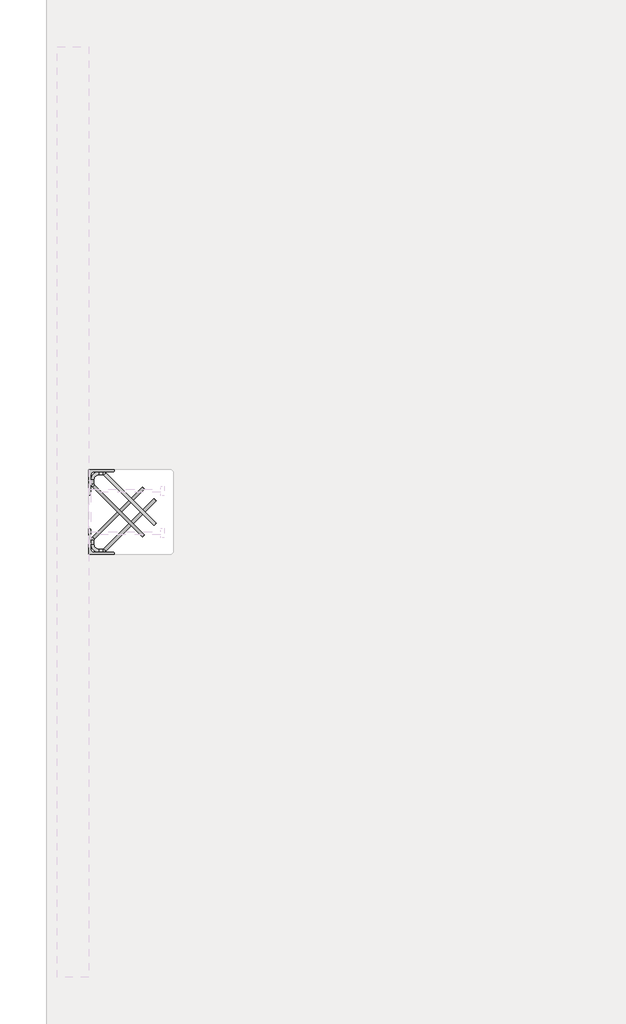
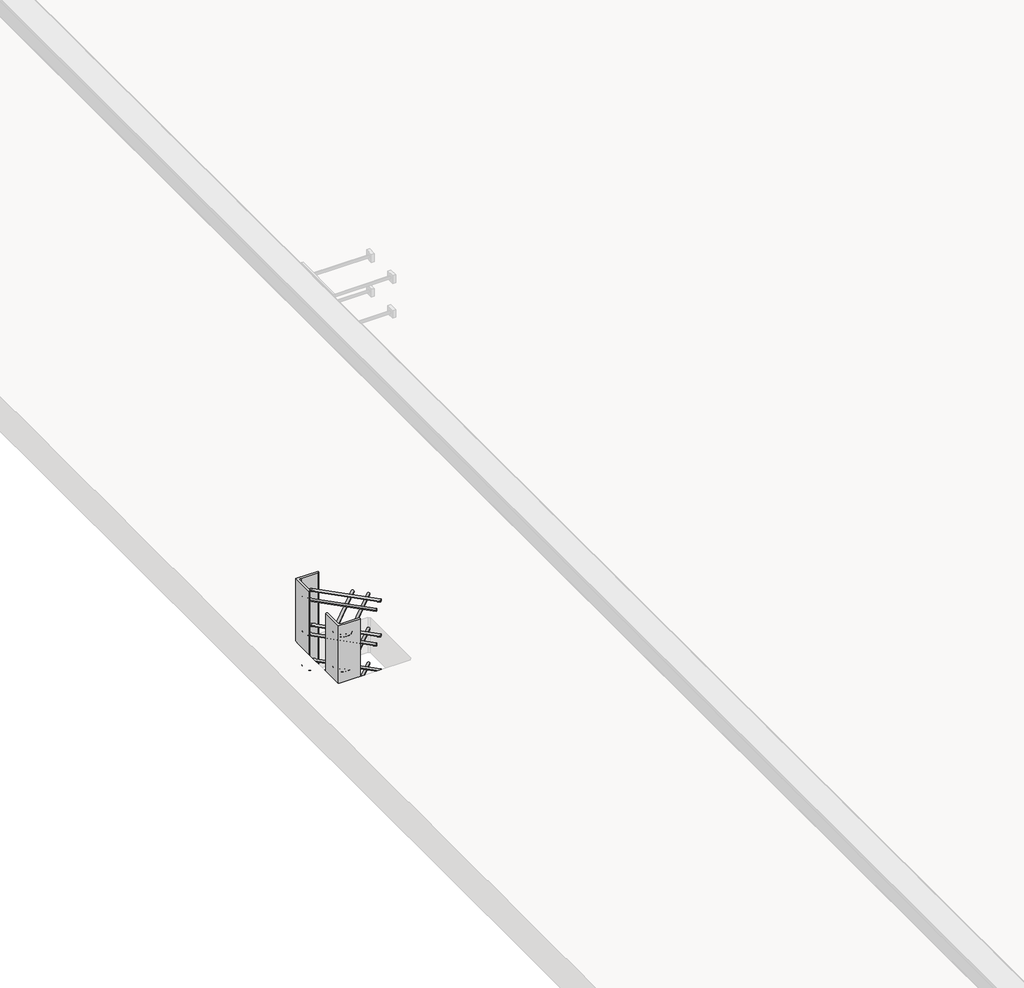
# One storey, part 14 of 65: 2 fasteners.
"""IFC4 building model written with IfcOpenShell, lengths in millimetres."""

from ifc_helpers import new_model, si_unit, point, frame, frame_2d, origin, place, context, project, spatial, polyline, circle_curve, ellipse_curve, trimmed, segment, composite_curve, outline, extrude, element, save
from ifc_brep_helpers import plane_surface, cylinder_surface, revolved_surface, advanced_brep

model = new_model("IFC4")

# Units and contexts
model_context = context("Model", 3, world=origin())
ifc_project = project(units=[si_unit("LENGTHUNIT", "METRE", prefix="MILLI")], contexts=[model_context])

# Site, building, storey
site = spatial("IfcSite", under=ifc_project)
building = spatial("IfcBuilding", under=site)
storey = spatial("IfcBuildingStorey", under=building, Elevation=0.0)

# Fasteners
placement = place(None, origin())
element("IfcFastener", 1, at=placement, inside=storey, context=model_context, shape_type="SolidModel", body=[
    advanced_brep(
    [(10117.4371209, 20747.4623741, -120.0), (10107.5376259, 20737.5628791, -120.0), (10052.5376259, 20682.5628791, -120.0), (10062.4371209, 20692.4623741, -120.0), (9824.0, 20953.0, -120.0), (9810.0, 20953.0, -120.0), (9810.0, 20934.2132034, -120.0), (9824.0, 20934.2132034, -120.0), (9847.0, 20976.0, -120.0), (9847.0, 20990.0, -120.0), (9865.7867966, 20976.0, -120.0), (9865.7867966, 20990.0, -120.0), (9881.3431458, 20983.5563492, -120.0), (9871.4436508, 20973.6568542, -120.0), (9826.3431458, 20928.5563492, -120.0), (9816.4436508, 20918.6568542, -120.0)],
    [
        (0, 1, circle_curve(frame((10112.4873734, 20742.5126266, -120.0), z_axis=(0.7071067811865446, -0.7071067811865505, 0.0), x_axis=(-0.7071067811865506, -0.7071067811865447, 0.0)), 7.0)),
        (1, 0, circle_curve(frame((10112.4873734, 20742.5126266, -120.0), z_axis=(0.7071067811865446, -0.7071067811865505, 0.0), x_axis=(-0.7071067811865506, -0.7071067811865447, 0.0)), 7.0)),
        (2, 3, circle_curve(frame((10057.4873734, 20687.5126266, -120.0), z_axis=(0.7071067811865447, -0.7071067811865503, 0.0), x_axis=(0.7071067811865503, 0.7071067811865447, 0.0)), 7.0)),
        (3, 2, circle_curve(frame((10057.4873734, 20687.5126266, -120.0), z_axis=(0.7071067811865447, -0.7071067811865503, 0.0), x_axis=(0.7071067811865503, 0.7071067811865447, 0.0)), 7.0)),
        (4, 5, circle_curve(frame((9817.0, 20953.0, -120.0), z_axis=(0.0, -1.0, 0.0), x_axis=(1.0, 0.0, 0.0)), 7.0)),
        (5, 6),
        (6, 7, circle_curve(frame((9817.0, 20934.2132034, -120.0), z_axis=(0.0, 1.0, 0.0), x_axis=(1.0, 0.0, 0.0)), 7.0)),
        (7, 4),
        (5, 4, circle_curve(frame((9817.0, 20953.0, -120.0), z_axis=(0.0, -1.0, 0.0), x_axis=(1.0, 0.0, 0.0)), 7.0)),
        (7, 6, circle_curve(frame((9817.0, 20934.2132034, -120.0), z_axis=(0.0, 1.0, 0.0), x_axis=(1.0, 0.0, 0.0)), 7.0)),
        (4, 8, circle_curve(frame((9847.0, 20953.0, -120.0), z_axis=(0.0, 0.0, -1.0), x_axis=(0.0, 1.0, 0.0)), 23.0)),
        (8, 9, circle_curve(frame((9847.0, 20983.0, -120.0), z_axis=(-1.0, 0.0, 0.0), x_axis=(0.0, -1.0, 0.0)), 7.0)),
        (9, 5, circle_curve(frame((9847.0, 20953.0, -120.0), z_axis=(0.0, 0.0, 1.0), x_axis=(0.0, 1.0, 0.0)), 37.0)),
        (9, 8, circle_curve(frame((9847.0, 20983.0, -120.0), z_axis=(-1.0, 0.0, 0.0), x_axis=(0.0, -1.0, 0.0)), 7.0)),
        (10, 11, circle_curve(frame((9865.7867966, 20983.0, -120.0), z_axis=(-1.0, 0.0, 0.0), x_axis=(0.0, -1.0, 0.0)), 7.0)),
        (11, 9),
        (8, 10),
        (11, 10, circle_curve(frame((9865.7867966, 20983.0, -120.0), z_axis=(-1.0, 0.0, 0.0), x_axis=(0.0, -1.0, 0.0)), 7.0)),
        (0, 12),
        (12, 13, circle_curve(frame((9876.3933983, 20978.6066017, -120.0), z_axis=(0.7071067811865446, -0.7071067811865505, 0.0), x_axis=(-0.7071067811865506, -0.7071067811865447, 0.0)), 7.0)),
        (13, 1),
        (13, 12, circle_curve(frame((9876.3933983, 20978.6066017, -120.0), z_axis=(0.7071067811865446, -0.7071067811865505, 0.0), x_axis=(-0.7071067811865506, -0.7071067811865447, 0.0)), 7.0)),
        (10, 13, circle_curve(frame((9865.7867966, 20968.0, -120.0), z_axis=(0.0, 0.0, -1.0), x_axis=(0.7071067811865506, 0.7071067811865445, 0.0)), 8.0)),
        (12, 11, circle_curve(frame((9865.7867966, 20968.0, -120.0), z_axis=(0.0, 0.0, 1.0), x_axis=(0.7071067811865506, 0.7071067811865445, 0.0)), 22.0)),
        (14, 7, circle_curve(frame((9832.0, 20934.2132034, -120.0), z_axis=(0.0, 0.0, -1.0), x_axis=(-1.0, 0.0, 0.0)), 8.0)),
        (6, 15, circle_curve(frame((9832.0, 20934.2132034, -120.0), z_axis=(0.0, 0.0, 1.0), x_axis=(-1.0, 0.0, 0.0)), 22.0)),
        (15, 14, circle_curve(frame((9821.3933983, 20923.6066017, -120.0), z_axis=(-0.7071067811865449, 0.7071067811865501, 0.0), x_axis=(0.7071067811865501, 0.7071067811865449, 0.0)), 7.0)),
        (14, 15, circle_curve(frame((9821.3933983, 20923.6066017, -120.0), z_axis=(-0.7071067811865452, 0.7071067811865498, 0.0), x_axis=(0.7071067811865498, 0.7071067811865452, 0.0)), 7.0)),
        (15, 2),
        (3, 14),
    ],
    [
        plane_surface(frame((10112.4873734, 20742.5126266, -120.0), z_axis=(0.7071067811865446, -0.7071067811865505, 0.0), x_axis=(0.0, 0.0, 1.0))),
        plane_surface(frame((10057.4873734, 20687.5126266, -120.0), z_axis=(0.7071067811865447, -0.7071067811865503, 0.0), x_axis=(0.0, 0.0, 1.0))),
        cylinder_surface(frame((9817.0, 20953.0, -120.0), z_axis=(0.0, 1.0, 0.0), x_axis=(1.0, 0.0, 0.0)), 7.0),
        revolved_surface(trimmed(ellipse_curve(frame((9847.0, 20983.0, -120.0), z_axis=(1.0, 0.0, 0.0), x_axis=(0.0, -1.0, 0.0)), 7.0, 7.0), [point((9847.0, 20990.0, -120.0))], [point((9847.0, 20976.0, -120.0))], True, "CARTESIAN"), (9847.0, 20953.0, -120.0), (0.0, 0.0, 1.0)),
        revolved_surface(trimmed(ellipse_curve(frame((9847.0, 20983.0, -120.0), z_axis=(1.0, 0.0, 0.0), x_axis=(0.0, -1.0, 0.0)), 7.0, 7.0), [point((9847.0, 20976.0, -120.0))], [point((9847.0, 20990.0, -120.0))], True, "CARTESIAN"), (9847.0, 20953.0, -120.0), (0.0, 0.0, 1.0)),
        cylinder_surface(frame((9865.7867966, 20983.0, -120.0), z_axis=(1.0, 0.0, 0.0), x_axis=(0.0, -1.0, 0.0)), 7.0),
        cylinder_surface(frame((10112.4873734, 20742.5126266, -120.0), z_axis=(0.7071067811865447, -0.7071067811865506, 0.0), x_axis=(-0.7071067811865506, -0.7071067811865447, 0.0)), 7.0),
        revolved_surface(trimmed(ellipse_curve(frame((9876.3933983, 20978.6066017, -120.0), z_axis=(0.7071067811865445, -0.7071067811865506, 0.0), x_axis=(-0.7071067811865506, -0.7071067811865445, 0.0)), 7.0, 7.0), [point((9881.3431458, 20983.5563492, -120.0))], [point((9871.4436508, 20973.6568542, -120.0))], True, "CARTESIAN"), (9865.7867966, 20968.0, -120.0), (0.0, 0.0, 1.0)),
        revolved_surface(trimmed(ellipse_curve(frame((9876.3933983, 20978.6066017, -120.0), z_axis=(0.7071067811865445, -0.7071067811865506, 0.0), x_axis=(-0.7071067811865506, -0.7071067811865445, 0.0)), 7.0, 7.0), [point((9871.4436508, 20973.6568542, -120.0))], [point((9881.3431458, 20983.5563492, -120.0))], True, "CARTESIAN"), (9865.7867966, 20968.0, -120.0), (0.0, 0.0, 1.0)),
        revolved_surface(trimmed(ellipse_curve(frame((9817.0, 20934.2132034, -120.0), z_axis=(0.0, 1.0, 0.0), x_axis=(1.0, 0.0, 0.0)), 7.0, 7.0), [point((9810.0, 20934.2132034, -120.0))], [point((9824.0, 20934.2132034, -120.0))], True, "CARTESIAN"), (9832.0, 20934.2132034, -120.0), (0.0, 0.0, 1.0)),
        revolved_surface(trimmed(ellipse_curve(frame((9817.0, 20934.2132034, -120.0), z_axis=(0.0, 1.0, 0.0), x_axis=(1.0, 0.0, 0.0)), 7.0, 7.0), [point((9824.0, 20934.2132034, -120.0))], [point((9810.0, 20934.2132034, -120.0))], True, "CARTESIAN"), (9832.0, 20934.2132034, -120.0), (0.0, 0.0, 1.0)),
        cylinder_surface(frame((9821.3933983, 20923.6066017, -120.0), z_axis=(-0.7071067811865447, 0.7071067811865503, 0.0), x_axis=(0.7071067811865503, 0.7071067811865447, 0.0)), 7.0),
    ],
    [
        (0, [[1, 2]]),
        (1, [[3, 4]]),
        (2, [[5, 6, 7, 8]]),
        (2, [[9, -8, 10, -6]]),
        (3, [[11, 12, 13, -5]]),
        (4, [[-13, 14, -11, -9]]),
        (5, [[15, 16, -12, 17]]),
        (5, [[18, -17, -14, -16]]),
        (6, [[-1, 19, 20, 21]]),
        (6, [[-2, -21, 22, -19]]),
        (7, [[23, -20, 24, -15]]),
        (8, [[-24, -22, -23, -18]]),
        (9, [[25, -7, 26, 27]]),
        (10, [[-26, -10, -25, 28]]),
        (11, [[-27, 29, -4, 30]]),
        (11, [[-28, -30, -3, -29]]),
    ],
),
    advanced_brep(
    [(10107.5376259, 20737.5628791, 280.0), (10117.4371209, 20747.4623741, 280.0), (10062.4371209, 20692.4623741, 280.0), (10052.5376259, 20682.5628791, 280.0), (9810.0, 20953.0, 280.0), (9824.0, 20953.0, 280.0), (9824.0, 20934.2132034, 280.0), (9810.0, 20934.2132034, 280.0), (9847.0, 20990.0, 280.0), (9847.0, 20976.0, 280.0), (9865.7867966, 20990.0, 280.0), (9865.7867966, 20976.0, 280.0), (9871.4436508, 20973.6568542, 280.0), (9881.3431458, 20983.5563492, 280.0), (9816.4436508, 20918.6568542, 280.0), (9826.3431458, 20928.5563492, 280.0)],
    [
        (0, 1, circle_curve(frame((10112.4873734, 20742.5126266, 280.0), z_axis=(0.7071067811865446, -0.7071067811865505, 0.0), x_axis=(0.7071067811865506, 0.7071067811865447, 0.0)), 7.0)),
        (1, 0, circle_curve(frame((10112.4873734, 20742.5126266, 280.0), z_axis=(0.7071067811865446, -0.7071067811865505, 0.0), x_axis=(0.7071067811865506, 0.7071067811865447, 0.0)), 7.0)),
        (2, 3, circle_curve(frame((10057.4873734, 20687.5126266, 280.0), z_axis=(0.7071067811865447, -0.7071067811865505, 0.0), x_axis=(-0.7071067811865505, -0.7071067811865447, 0.0)), 7.0)),
        (3, 2, circle_curve(frame((10057.4873734, 20687.5126266, 280.0), z_axis=(0.7071067811865447, -0.7071067811865505, 0.0), x_axis=(-0.7071067811865505, -0.7071067811865447, 0.0)), 7.0)),
        (4, 5, circle_curve(frame((9817.0, 20953.0, 280.0), z_axis=(0.0, -1.0, 0.0), x_axis=(-1.0, 0.0, 0.0)), 7.0)),
        (5, 6),
        (6, 7, circle_curve(frame((9817.0, 20934.2132034, 280.0), z_axis=(0.0, 1.0, 0.0), x_axis=(-1.0, 0.0, 0.0)), 7.0)),
        (7, 4),
        (5, 4, circle_curve(frame((9817.0, 20953.0, 280.0), z_axis=(0.0, -1.0, 0.0), x_axis=(-1.0, 0.0, 0.0)), 7.0)),
        (7, 6, circle_curve(frame((9817.0, 20934.2132034, 280.0), z_axis=(0.0, 1.0, 0.0), x_axis=(-1.0, 0.0, 0.0)), 7.0)),
        (4, 8, circle_curve(frame((9847.0, 20953.0, 280.0), z_axis=(0.0, 0.0, -1.0), x_axis=(0.0, 1.0, 0.0)), 37.0)),
        (8, 9, circle_curve(frame((9847.0, 20983.0, 280.0), z_axis=(-1.0, 0.0, 0.0), x_axis=(0.0, 1.0, 0.0)), 7.0)),
        (9, 5, circle_curve(frame((9847.0, 20953.0, 280.0), z_axis=(0.0, 0.0, 1.0), x_axis=(0.0, 1.0, 0.0)), 23.0)),
        (9, 8, circle_curve(frame((9847.0, 20983.0, 280.0), z_axis=(-1.0, 0.0, 0.0), x_axis=(0.0, 1.0, 0.0)), 7.0)),
        (10, 11, circle_curve(frame((9865.7867966, 20983.0, 280.0), z_axis=(-1.0, 0.0, 0.0), x_axis=(0.0, 1.0, 0.0)), 7.0)),
        (11, 9),
        (8, 10),
        (11, 10, circle_curve(frame((9865.7867966, 20983.0, 280.0), z_axis=(-1.0, 0.0, 0.0), x_axis=(0.0, 1.0, 0.0)), 7.0)),
        (0, 12),
        (12, 13, circle_curve(frame((9876.3933983, 20978.6066017, 280.0), z_axis=(0.7071067811865446, -0.7071067811865505, 0.0), x_axis=(0.7071067811865506, 0.7071067811865447, 0.0)), 7.0)),
        (13, 1),
        (13, 12, circle_curve(frame((9876.3933983, 20978.6066017, 280.0), z_axis=(0.7071067811865446, -0.7071067811865505, 0.0), x_axis=(0.7071067811865506, 0.7071067811865447, 0.0)), 7.0)),
        (10, 13, circle_curve(frame((9865.7867966, 20968.0, 280.0), z_axis=(0.0, 0.0, -1.0), x_axis=(0.7071067811865506, 0.7071067811865445, 0.0)), 22.0)),
        (12, 11, circle_curve(frame((9865.7867966, 20968.0, 280.0), z_axis=(0.0, 0.0, 1.0), x_axis=(0.7071067811865506, 0.7071067811865445, 0.0)), 8.0)),
        (14, 7, circle_curve(frame((9832.0, 20934.2132034, 280.0), z_axis=(0.0, 0.0, -1.0), x_axis=(-1.0, 0.0, 0.0)), 22.0)),
        (6, 15, circle_curve(frame((9832.0, 20934.2132034, 280.0), z_axis=(0.0, 0.0, 1.0), x_axis=(-1.0, 0.0, 0.0)), 8.0)),
        (15, 14, circle_curve(frame((9821.3933983, 20923.6066017, 280.0), z_axis=(-0.7071067811865465, 0.7071067811865486, 0.0), x_axis=(-0.7071067811865486, -0.7071067811865465, 0.0)), 7.0)),
        (14, 15, circle_curve(frame((9821.3933983, 20923.6066017, 280.0), z_axis=(-0.7071067811865455, 0.7071067811865496, 0.0), x_axis=(-0.7071067811865496, -0.7071067811865455, 0.0)), 7.0)),
        (15, 2),
        (3, 14),
    ],
    [
        plane_surface(frame((10112.4873734, 20742.5126266, 280.0), z_axis=(0.7071067811865446, -0.7071067811865505, 0.0), x_axis=(0.0, 0.0, -1.0))),
        plane_surface(frame((10057.4873734, 20687.5126266, 280.0), z_axis=(0.7071067811865447, -0.7071067811865505, 0.0), x_axis=(0.0, 0.0, -1.0))),
        cylinder_surface(frame((9817.0, 20953.0, 280.0), z_axis=(0.0, 1.0, 0.0), x_axis=(-1.0, 0.0, 0.0)), 7.0),
        revolved_surface(trimmed(ellipse_curve(frame((9847.0, 20983.0, 280.0), z_axis=(1.0, 0.0, 0.0), x_axis=(0.0, 1.0, 0.0)), 7.0, 7.0), [point((9847.0, 20976.0, 280.0))], [point((9847.0, 20990.0, 280.0))], True, "CARTESIAN"), (9847.0, 20953.0, 280.0), (0.0, 0.0, 1.0)),
        revolved_surface(trimmed(ellipse_curve(frame((9847.0, 20983.0, 280.0), z_axis=(1.0, 0.0, 0.0), x_axis=(0.0, 1.0, 0.0)), 7.0, 7.0), [point((9847.0, 20990.0, 280.0))], [point((9847.0, 20976.0, 280.0))], True, "CARTESIAN"), (9847.0, 20953.0, 280.0), (0.0, 0.0, 1.0)),
        cylinder_surface(frame((9865.7867966, 20983.0, 280.0), z_axis=(1.0, 0.0, 0.0), x_axis=(0.0, 1.0, 0.0)), 7.0),
        cylinder_surface(frame((10112.4873734, 20742.5126266, 280.0), z_axis=(0.7071067811865447, -0.7071067811865506, 0.0), x_axis=(0.7071067811865506, 0.7071067811865447, 0.0)), 7.0),
        revolved_surface(trimmed(ellipse_curve(frame((9876.3933983, 20978.6066017, 280.0), z_axis=(0.7071067811865445, -0.7071067811865506, 0.0), x_axis=(0.7071067811865506, 0.7071067811865445, 0.0)), 7.0, 7.0), [point((9871.4436508, 20973.6568542, 280.0))], [point((9881.3431458, 20983.5563492, 280.0))], True, "CARTESIAN"), (9865.7867966, 20968.0, 280.0), (0.0, 0.0, 1.0)),
        revolved_surface(trimmed(ellipse_curve(frame((9876.3933983, 20978.6066017, 280.0), z_axis=(0.7071067811865445, -0.7071067811865506, 0.0), x_axis=(0.7071067811865506, 0.7071067811865445, 0.0)), 7.0, 7.0), [point((9881.3431458, 20983.5563492, 280.0))], [point((9871.4436508, 20973.6568542, 280.0))], True, "CARTESIAN"), (9865.7867966, 20968.0, 280.0), (0.0, 0.0, 1.0)),
        revolved_surface(trimmed(ellipse_curve(frame((9817.0, 20934.2132034, 280.0), z_axis=(0.0, 1.0, 0.0), x_axis=(-1.0, 0.0, 0.0)), 7.0, 7.0), [point((9824.0, 20934.2132034, 280.0))], [point((9810.0, 20934.2132034, 280.0))], True, "CARTESIAN"), (9832.0, 20934.2132034, 280.0), (0.0, 0.0, 1.0)),
        revolved_surface(trimmed(ellipse_curve(frame((9817.0, 20934.2132034, 280.0), z_axis=(0.0, 1.0, 0.0), x_axis=(-1.0, 0.0, 0.0)), 7.0, 7.0), [point((9810.0, 20934.2132034, 280.0))], [point((9824.0, 20934.2132034, 280.0))], True, "CARTESIAN"), (9832.0, 20934.2132034, 280.0), (0.0, 0.0, 1.0)),
        cylinder_surface(frame((9821.3933983, 20923.6066017, 280.0), z_axis=(-0.7071067811865447, 0.7071067811865505, 0.0), x_axis=(-0.7071067811865505, -0.7071067811865447, 0.0)), 7.0),
    ],
    [
        (0, [[1, 2]]),
        (1, [[3, 4]]),
        (2, [[5, 6, 7, 8]]),
        (2, [[9, -8, 10, -6]]),
        (3, [[11, 12, 13, -5]]),
        (4, [[-13, 14, -11, -9]]),
        (5, [[15, 16, -12, 17]]),
        (5, [[18, -17, -14, -16]]),
        (6, [[-1, 19, 20, 21]]),
        (6, [[-2, -21, 22, -19]]),
        (7, [[23, -20, 24, -15]]),
        (8, [[-24, -22, -23, -18]]),
        (9, [[25, -7, 26, 27]]),
        (10, [[-26, -10, -25, 28]]),
        (11, [[-27, 29, -4, 30]]),
        (11, [[-28, -30, -3, -29]]),
    ],
),
    advanced_brep(
    [(10107.5376259, 20737.5628791, 80.0), (10117.4371209, 20747.4623741, 80.0), (10062.4371209, 20692.4623741, 80.0), (10052.5376259, 20682.5628791, 80.0), (9810.0, 20953.0, 80.0), (9824.0, 20953.0, 80.0), (9824.0, 20934.2132034, 80.0), (9810.0, 20934.2132034, 80.0), (9847.0, 20990.0, 80.0), (9847.0, 20976.0, 80.0), (9865.7867966, 20990.0, 80.0), (9865.7867966, 20976.0, 80.0), (9871.4436508, 20973.6568542, 80.0), (9881.3431458, 20983.5563492, 80.0), (9816.4436508, 20918.6568542, 80.0), (9826.3431458, 20928.5563492, 80.0)],
    [
        (0, 1, circle_curve(frame((10112.4873734, 20742.5126266, 80.0), z_axis=(0.7071067811865446, -0.7071067811865505, 0.0), x_axis=(0.7071067811865505, 0.7071067811865446, 0.0)), 7.0)),
        (1, 0, circle_curve(frame((10112.4873734, 20742.5126266, 80.0), z_axis=(0.7071067811865446, -0.7071067811865505, 0.0), x_axis=(0.7071067811865505, 0.7071067811865446, 0.0)), 7.0)),
        (2, 3, circle_curve(frame((10057.4873734, 20687.5126266, 80.0), z_axis=(0.7071067811865447, -0.7071067811865505, 0.0), x_axis=(-0.7071067811865505, -0.7071067811865447, 0.0)), 7.0)),
        (3, 2, circle_curve(frame((10057.4873734, 20687.5126266, 80.0), z_axis=(0.7071067811865447, -0.7071067811865505, 0.0), x_axis=(-0.7071067811865505, -0.7071067811865447, 0.0)), 7.0)),
        (4, 5, circle_curve(frame((9817.0, 20953.0, 80.0), z_axis=(0.0, -1.0, 0.0), x_axis=(-1.0, 0.0, 0.0)), 7.0)),
        (5, 6),
        (6, 7, circle_curve(frame((9817.0, 20934.2132034, 80.0), z_axis=(0.0, 1.0, 0.0), x_axis=(-1.0, 0.0, 0.0)), 7.0)),
        (7, 4),
        (5, 4, circle_curve(frame((9817.0, 20953.0, 80.0), z_axis=(0.0, -1.0, 0.0), x_axis=(-1.0, 0.0, 0.0)), 7.0)),
        (7, 6, circle_curve(frame((9817.0, 20934.2132034, 80.0), z_axis=(0.0, 1.0, 0.0), x_axis=(-1.0, 0.0, 0.0)), 7.0)),
        (4, 8, circle_curve(frame((9847.0, 20953.0, 80.0), z_axis=(0.0, 0.0, -1.0), x_axis=(0.0, 1.0, 0.0)), 37.0)),
        (8, 9, circle_curve(frame((9847.0, 20983.0, 80.0), z_axis=(-1.0, 0.0, 0.0), x_axis=(0.0, 1.0, 0.0)), 7.0)),
        (9, 5, circle_curve(frame((9847.0, 20953.0, 80.0), z_axis=(0.0, 0.0, 1.0), x_axis=(0.0, 1.0, 0.0)), 23.0)),
        (9, 8, circle_curve(frame((9847.0, 20983.0, 80.0), z_axis=(-1.0, 0.0, 0.0), x_axis=(0.0, 1.0, 0.0)), 7.0)),
        (10, 11, circle_curve(frame((9865.7867966, 20983.0, 80.0), z_axis=(-1.0, 0.0, 0.0), x_axis=(0.0, 1.0, 0.0)), 7.0)),
        (11, 9),
        (8, 10),
        (11, 10, circle_curve(frame((9865.7867966, 20983.0, 80.0), z_axis=(-1.0, 0.0, 0.0), x_axis=(0.0, 1.0, 0.0)), 7.0)),
        (0, 12),
        (12, 13, circle_curve(frame((9876.3933983, 20978.6066017, 80.0), z_axis=(0.7071067811865446, -0.7071067811865505, 0.0), x_axis=(0.7071067811865505, 0.7071067811865446, 0.0)), 7.0)),
        (13, 1),
        (13, 12, circle_curve(frame((9876.3933983, 20978.6066017, 80.0), z_axis=(0.7071067811865446, -0.7071067811865505, 0.0), x_axis=(0.7071067811865505, 0.7071067811865446, 0.0)), 7.0)),
        (10, 13, circle_curve(frame((9865.7867966, 20968.0, 80.0), z_axis=(0.0, 0.0, -1.0), x_axis=(0.7071067811865506, 0.7071067811865445, 0.0)), 22.0)),
        (12, 11, circle_curve(frame((9865.7867966, 20968.0, 80.0), z_axis=(0.0, 0.0, 1.0), x_axis=(0.7071067811865506, 0.7071067811865445, 0.0)), 8.0)),
        (14, 7, circle_curve(frame((9832.0, 20934.2132034, 80.0), z_axis=(0.0, 0.0, -1.0), x_axis=(-1.0, 0.0, 0.0)), 22.0)),
        (6, 15, circle_curve(frame((9832.0, 20934.2132034, 80.0), z_axis=(0.0, 0.0, 1.0), x_axis=(-1.0, 0.0, 0.0)), 8.0)),
        (15, 14, circle_curve(frame((9821.3933983, 20923.6066017, 80.0), z_axis=(-0.7071067811865448, 0.7071067811865502, 0.0), x_axis=(-0.7071067811865502, -0.7071067811865448, 0.0)), 7.0)),
        (14, 15, circle_curve(frame((9821.3933983, 20923.6066017, 80.0), z_axis=(-0.7071067811865449, 0.7071067811865501, 0.0), x_axis=(-0.7071067811865501, -0.7071067811865449, 0.0)), 7.0)),
        (15, 2),
        (3, 14),
    ],
    [
        plane_surface(frame((10112.4873734, 20742.5126266, 80.0), z_axis=(0.7071067811865446, -0.7071067811865505, 0.0), x_axis=(0.0, 0.0, -1.0))),
        plane_surface(frame((10057.4873734, 20687.5126266, 80.0), z_axis=(0.7071067811865448, -0.7071067811865503, 0.0), x_axis=(0.0, 0.0, -1.0))),
        cylinder_surface(frame((9817.0, 20953.0, 80.0), z_axis=(0.0, 1.0, 0.0), x_axis=(-1.0, 0.0, 0.0)), 7.0),
        revolved_surface(trimmed(ellipse_curve(frame((9847.0, 20983.0, 80.0), z_axis=(1.0, 0.0, 0.0), x_axis=(0.0, 1.0, 0.0)), 7.0, 7.0), [point((9847.0, 20976.0, 80.0))], [point((9847.0, 20990.0, 80.0))], True, "CARTESIAN"), (9847.0, 20953.0, 80.0), (0.0, 0.0, 1.0)),
        revolved_surface(trimmed(ellipse_curve(frame((9847.0, 20983.0, 80.0), z_axis=(1.0, 0.0, 0.0), x_axis=(0.0, 1.0, 0.0)), 7.0, 7.0), [point((9847.0, 20990.0, 80.0))], [point((9847.0, 20976.0, 80.0))], True, "CARTESIAN"), (9847.0, 20953.0, 80.0), (0.0, 0.0, 1.0)),
        cylinder_surface(frame((9865.7867966, 20983.0, 80.0), z_axis=(1.0, 0.0, 0.0), x_axis=(0.0, 1.0, 0.0)), 7.0),
        cylinder_surface(frame((10112.4873734, 20742.5126266, 80.0), z_axis=(0.7071067811865446, -0.7071067811865505, 0.0), x_axis=(0.7071067811865505, 0.7071067811865446, 0.0)), 7.0),
        revolved_surface(trimmed(ellipse_curve(frame((9876.3933983, 20978.6066017, 80.0), z_axis=(0.7071067811865444, -0.7071067811865507, 0.0), x_axis=(0.7071067811865507, 0.7071067811865444, 0.0)), 7.0, 7.0), [point((9871.4436508, 20973.6568542, 80.0))], [point((9881.3431458, 20983.5563492, 80.0))], True, "CARTESIAN"), (9865.7867966, 20968.0, 80.0), (0.0, 0.0, 1.0)),
        revolved_surface(trimmed(ellipse_curve(frame((9876.3933983, 20978.6066017, 80.0), z_axis=(0.7071067811865444, -0.7071067811865507, 0.0), x_axis=(0.7071067811865507, 0.7071067811865444, 0.0)), 7.0, 7.0), [point((9881.3431458, 20983.5563492, 80.0))], [point((9871.4436508, 20973.6568542, 80.0))], True, "CARTESIAN"), (9865.7867966, 20968.0, 80.0), (0.0, 0.0, 1.0)),
        revolved_surface(trimmed(ellipse_curve(frame((9817.0, 20934.2132034, 80.0), z_axis=(0.0, 1.0, 0.0), x_axis=(-1.0, 0.0, 0.0)), 7.0, 7.0), [point((9824.0, 20934.2132034, 80.0))], [point((9810.0, 20934.2132034, 80.0))], True, "CARTESIAN"), (9832.0, 20934.2132034, 80.0), (0.0, 0.0, 1.0)),
        revolved_surface(trimmed(ellipse_curve(frame((9817.0, 20934.2132034, 80.0), z_axis=(0.0, 1.0, 0.0), x_axis=(-1.0, 0.0, 0.0)), 7.0, 7.0), [point((9810.0, 20934.2132034, 80.0))], [point((9824.0, 20934.2132034, 80.0))], True, "CARTESIAN"), (9832.0, 20934.2132034, 80.0), (0.0, 0.0, 1.0)),
        cylinder_surface(frame((9821.3933983, 20923.6066017, 80.0), z_axis=(-0.7071067811865447, 0.7071067811865505, 0.0), x_axis=(-0.7071067811865505, -0.7071067811865447, 0.0)), 7.0),
    ],
    [
        (0, [[1, 2]]),
        (1, [[3, 4]]),
        (2, [[5, 6, 7, 8]]),
        (2, [[9, -8, 10, -6]]),
        (3, [[11, 12, 13, -5]]),
        (4, [[-13, 14, -11, -9]]),
        (5, [[15, 16, -12, 17]]),
        (5, [[18, -17, -14, -16]]),
        (6, [[-1, 19, 20, 21]]),
        (6, [[-2, -21, 22, -19]]),
        (7, [[23, -20, 24, -15]]),
        (8, [[-24, -22, -23, -18]]),
        (9, [[25, -7, 26, 27]]),
        (10, [[-26, -10, -25, 28]]),
        (11, [[-27, 29, -4, 30]]),
        (11, [[-28, -30, -3, -29]]),
    ],
),
    extrude(outline(composite_curve([segment(polyline([(9800.0, 21000.0), (9920.0, 21000.0), (9920.0, 20996.5)]), True, "CONTINUOUS"), segment(trimmed(circle_curve(frame_2d((9913.5, 20996.5)), 6.5), [point((9920.0, 20996.5))], [point((9913.5, 20990.0))], False, "CARTESIAN"), True, "CONTINUOUS"), segment(polyline([(9913.5, 20990.0), (9823.0, 20990.0)]), True, "CONTINUOUS"), segment(trimmed(circle_curve(frame_2d((9823.0, 20977.0)), 13.0), [point((9823.0, 20990.0))], [point((9810.0, 20977.0))], True, "CARTESIAN"), True, "CONTINUOUS"), segment(polyline([(9810.0, 20977.0), (9810.0, 20886.5)]), True, "CONTINUOUS"), segment(trimmed(circle_curve(frame_2d((9803.5, 20886.5)), 6.5), [point((9810.0, 20886.5))], [point((9803.5, 20880.0))], False, "CARTESIAN"), True, "CONTINUOUS"), segment(polyline([(9803.5, 20880.0), (9800.0, 20880.0), (9800.0, 21000.0)]), True, "CONTINUOUS")], self_intersect=False)), frame((0.0, 0.0, -200.0), z_axis=(0.0, 0.0, 1.0), x_axis=(1.0, 0.0, 0.0)), (0.0, 0.0, 1.0), 560.0),
])
element("IfcFastener", 2, at=placement, inside=storey, context=model_context, shape_type="SolidModel", body=[
    advanced_brep(
    [(10117.4371209, 20852.5376259, 250.0), (10107.5376259, 20862.4371209, 250.0), (10052.5376259, 20917.4371209, 250.0), (10062.4371209, 20907.5376259, 250.0), (9824.0, 20647.0, 250.0), (9810.0, 20647.0, 250.0), (9810.0, 20665.7867966, 250.0), (9824.0, 20665.7867966, 250.0), (9847.0, 20624.0, 250.0), (9847.0, 20610.0, 250.0), (9865.7867966, 20624.0, 250.0), (9865.7867966, 20610.0, 250.0), (9881.3431458, 20616.4436508, 250.0), (9871.4436508, 20626.3431458, 250.0), (9826.3431458, 20671.4436508, 250.0), (9816.4436508, 20681.3431458, 250.0)],
    [
        (0, 1, circle_curve(frame((10112.4873734, 20857.4873734, 250.0), z_axis=(0.7071067811865493, 0.7071067811865459, 0.0), x_axis=(-0.7071067811865459, 0.7071067811865493, 0.0)), 7.0)),
        (1, 0, circle_curve(frame((10112.4873734, 20857.4873734, 250.0), z_axis=(0.7071067811865493, 0.7071067811865459, 0.0), x_axis=(-0.7071067811865459, 0.7071067811865493, 0.0)), 7.0)),
        (2, 3, circle_curve(frame((10057.4873734, 20912.4873734, 250.0), z_axis=(0.7071067811865493, 0.7071067811865457, 0.0), x_axis=(0.7071067811865457, -0.7071067811865493, 0.0)), 7.0)),
        (3, 2, circle_curve(frame((10057.4873734, 20912.4873734, 250.0), z_axis=(0.7071067811865493, 0.7071067811865457, 0.0), x_axis=(0.7071067811865457, -0.7071067811865493, 0.0)), 7.0)),
        (4, 5, circle_curve(frame((9817.0, 20647.0, 250.0), z_axis=(0.0, 1.0, 0.0), x_axis=(1.0, 0.0, 0.0)), 7.0)),
        (5, 6),
        (6, 7, circle_curve(frame((9817.0, 20665.7867966, 250.0), z_axis=(0.0, -1.0, 0.0), x_axis=(1.0, 0.0, 0.0)), 7.0)),
        (7, 4),
        (5, 4, circle_curve(frame((9817.0, 20647.0, 250.0), z_axis=(0.0, 1.0, 0.0), x_axis=(1.0, 0.0, 0.0)), 7.0)),
        (7, 6, circle_curve(frame((9817.0, 20665.7867966, 250.0), z_axis=(0.0, -1.0, 0.0), x_axis=(1.0, 0.0, 0.0)), 7.0)),
        (4, 8, circle_curve(frame((9847.0, 20647.0, 250.0), z_axis=(0.0, 0.0, 1.0), x_axis=(0.0, -1.0, 0.0)), 23.0)),
        (8, 9, circle_curve(frame((9847.0, 20617.0, 250.0), z_axis=(-1.0, 0.0, 0.0), x_axis=(0.0, 1.0, 0.0)), 7.0)),
        (9, 5, circle_curve(frame((9847.0, 20647.0, 250.0), z_axis=(0.0, 0.0, -1.0), x_axis=(0.0, -1.0, 0.0)), 37.0)),
        (9, 8, circle_curve(frame((9847.0, 20617.0, 250.0), z_axis=(-1.0, 0.0, 0.0), x_axis=(0.0, 1.0, 0.0)), 7.0)),
        (10, 11, circle_curve(frame((9865.7867966, 20617.0, 250.0), z_axis=(-1.0, 0.0, 0.0), x_axis=(0.0, 1.0, 0.0)), 7.0)),
        (11, 9),
        (8, 10),
        (11, 10, circle_curve(frame((9865.7867966, 20617.0, 250.0), z_axis=(-1.0, 0.0, 0.0), x_axis=(0.0, 1.0, 0.0)), 7.0)),
        (0, 12),
        (12, 13, circle_curve(frame((9876.3933983, 20621.3933983, 250.0), z_axis=(0.7071067811865493, 0.7071067811865459, 0.0), x_axis=(-0.7071067811865459, 0.7071067811865493, 0.0)), 7.0)),
        (13, 1),
        (13, 12, circle_curve(frame((9876.3933983, 20621.3933983, 250.0), z_axis=(0.7071067811865493, 0.7071067811865459, 0.0), x_axis=(-0.7071067811865459, 0.7071067811865493, 0.0)), 7.0)),
        (10, 13, circle_curve(frame((9865.7867966, 20632.0, 250.0), z_axis=(0.0, 0.0, 1.0), x_axis=(0.7071067811865459, -0.7071067811865491, 0.0)), 8.0)),
        (12, 11, circle_curve(frame((9865.7867966, 20632.0, 250.0), z_axis=(0.0, 0.0, -1.0), x_axis=(0.7071067811865459, -0.7071067811865491, 0.0)), 22.0)),
        (14, 7, circle_curve(frame((9832.0, 20665.7867966, 250.0), z_axis=(0.0, 0.0, 1.0), x_axis=(-1.0, 0.0, 0.0)), 8.0)),
        (6, 15, circle_curve(frame((9832.0, 20665.7867966, 250.0), z_axis=(0.0, 0.0, -1.0), x_axis=(-1.0, 0.0, 0.0)), 22.0)),
        (15, 14, circle_curve(frame((9821.3933983, 20676.3933983, 250.0), z_axis=(-0.7071067811865495, -0.7071067811865456, 0.0), x_axis=(0.7071067811865456, -0.7071067811865495, 0.0)), 7.0)),
        (14, 15, circle_curve(frame((9821.3933983, 20676.3933983, 250.0), z_axis=(-0.7071067811865498, -0.7071067811865452, 0.0), x_axis=(0.7071067811865452, -0.7071067811865498, 0.0)), 7.0)),
        (15, 2),
        (3, 14),
    ],
    [
        plane_surface(frame((10112.4873734, 20857.4873734, 250.0), z_axis=(0.7071067811865493, 0.7071067811865459, 0.0), x_axis=(0.0, 0.0, -1.0))),
        plane_surface(frame((10057.4873734, 20912.4873734, 250.0), z_axis=(0.7071067811865493, 0.7071067811865457, 0.0), x_axis=(0.0, 0.0, -1.0))),
        cylinder_surface(frame((9817.0, 20647.0, 250.0), z_axis=(0.0, -1.0, 0.0), x_axis=(1.0, 0.0, 0.0)), 7.0),
        revolved_surface(trimmed(ellipse_curve(frame((9847.0, 20617.0, 250.0), z_axis=(1.0, 0.0, 0.0), x_axis=(0.0, 1.0, 0.0)), 7.0, 7.0), [point((9847.0, 20610.0, 250.0))], [point((9847.0, 20624.0, 250.0))], True, "CARTESIAN"), (9847.0, 20647.0, 250.0), (0.0, 0.0, -1.0)),
        revolved_surface(trimmed(ellipse_curve(frame((9847.0, 20617.0, 250.0), z_axis=(1.0, 0.0, 0.0), x_axis=(0.0, 1.0, 0.0)), 7.0, 7.0), [point((9847.0, 20624.0, 250.0))], [point((9847.0, 20610.0, 250.0))], True, "CARTESIAN"), (9847.0, 20647.0, 250.0), (0.0, 0.0, -1.0)),
        cylinder_surface(frame((9865.7867966, 20617.0, 250.0), z_axis=(1.0, 0.0, 0.0), x_axis=(0.0, 1.0, 0.0)), 7.0),
        cylinder_surface(frame((10112.4873734, 20857.4873734, 250.0), z_axis=(0.7071067811865493, 0.7071067811865459, 0.0), x_axis=(-0.7071067811865459, 0.7071067811865493, 0.0)), 7.0),
        revolved_surface(trimmed(ellipse_curve(frame((9876.3933983, 20621.3933983, 250.0), z_axis=(0.7071067811865491, 0.7071067811865459, 0.0), x_axis=(-0.7071067811865459, 0.7071067811865491, 0.0)), 7.0, 7.0), [point((9881.3431458, 20616.4436508, 250.0))], [point((9871.4436508, 20626.3431458, 250.0))], True, "CARTESIAN"), (9865.7867966, 20632.0, 250.0), (0.0, 0.0, -1.0)),
        revolved_surface(trimmed(ellipse_curve(frame((9876.3933983, 20621.3933983, 250.0), z_axis=(0.7071067811865491, 0.7071067811865459, 0.0), x_axis=(-0.7071067811865459, 0.7071067811865491, 0.0)), 7.0, 7.0), [point((9871.4436508, 20626.3431458, 250.0))], [point((9881.3431458, 20616.4436508, 250.0))], True, "CARTESIAN"), (9865.7867966, 20632.0, 250.0), (0.0, 0.0, -1.0)),
        revolved_surface(trimmed(ellipse_curve(frame((9817.0, 20665.7867966, 250.0), z_axis=(0.0, -1.0, 0.0), x_axis=(1.0, 0.0, 0.0)), 7.0, 7.0), [point((9810.0, 20665.7867966, 250.0))], [point((9824.0, 20665.7867966, 250.0))], True, "CARTESIAN"), (9832.0, 20665.7867966, 250.0), (0.0, 0.0, -1.0)),
        revolved_surface(trimmed(ellipse_curve(frame((9817.0, 20665.7867966, 250.0), z_axis=(0.0, -1.0, 0.0), x_axis=(1.0, 0.0, 0.0)), 7.0, 7.0), [point((9824.0, 20665.7867966, 250.0))], [point((9810.0, 20665.7867966, 250.0))], True, "CARTESIAN"), (9832.0, 20665.7867966, 250.0), (0.0, 0.0, -1.0)),
        cylinder_surface(frame((9821.3933983, 20676.3933983, 250.0), z_axis=(-0.7071067811865493, -0.7071067811865457, 0.0), x_axis=(0.7071067811865457, -0.7071067811865493, 0.0)), 7.0),
    ],
    [
        (0, [[1, 2]]),
        (1, [[3, 4]]),
        (2, [[5, 6, 7, 8]]),
        (2, [[9, -8, 10, -6]]),
        (3, [[11, 12, 13, -5]]),
        (4, [[-13, 14, -11, -9]]),
        (5, [[15, 16, -12, 17]]),
        (5, [[18, -17, -14, -16]]),
        (6, [[-1, 19, 20, 21]]),
        (6, [[-2, -21, 22, -19]]),
        (7, [[23, -20, 24, -15]]),
        (8, [[-24, -22, -23, -18]]),
        (9, [[25, -7, 26, 27]]),
        (10, [[-26, -10, -25, 28]]),
        (11, [[-27, 29, -4, 30]]),
        (11, [[-28, -30, -3, -29]]),
    ],
),
    advanced_brep(
    [(10107.5376259, 20862.4371209, -150.0), (10117.4371209, 20852.5376259, -150.0), (10062.4371209, 20907.5376259, -150.0), (10052.5376259, 20917.4371209, -150.0), (9810.0, 20647.0, -150.0), (9824.0, 20647.0, -150.0), (9824.0, 20665.7867966, -150.0), (9810.0, 20665.7867966, -150.0), (9847.0, 20610.0, -150.0), (9847.0, 20624.0, -150.0), (9865.7867966, 20610.0, -150.0), (9865.7867966, 20624.0, -150.0), (9871.4436508, 20626.3431458, -150.0), (9881.3431458, 20616.4436508, -150.0), (9816.4436508, 20681.3431458, -150.0), (9826.3431458, 20671.4436508, -150.0)],
    [
        (0, 1, circle_curve(frame((10112.4873734, 20857.4873734, -150.0), z_axis=(0.7071067811865493, 0.7071067811865459, 0.0), x_axis=(0.7071067811865459, -0.7071067811865493, 0.0)), 7.0)),
        (1, 0, circle_curve(frame((10112.4873734, 20857.4873734, -150.0), z_axis=(0.7071067811865493, 0.7071067811865459, 0.0), x_axis=(0.7071067811865459, -0.7071067811865493, 0.0)), 7.0)),
        (2, 3, circle_curve(frame((10057.4873734, 20912.4873734, -150.0), z_axis=(0.7071067811865493, 0.7071067811865458, 0.0), x_axis=(-0.7071067811865458, 0.7071067811865493, 0.0)), 7.0)),
        (3, 2, circle_curve(frame((10057.4873734, 20912.4873734, -150.0), z_axis=(0.7071067811865493, 0.7071067811865458, 0.0), x_axis=(-0.7071067811865458, 0.7071067811865493, 0.0)), 7.0)),
        (4, 5, circle_curve(frame((9817.0, 20647.0, -150.0), z_axis=(0.0, 1.0, 0.0), x_axis=(-1.0, 0.0, 0.0)), 7.0)),
        (5, 6),
        (6, 7, circle_curve(frame((9817.0, 20665.7867966, -150.0), z_axis=(0.0, -1.0, 0.0), x_axis=(-1.0, 0.0, 0.0)), 7.0)),
        (7, 4),
        (5, 4, circle_curve(frame((9817.0, 20647.0, -150.0), z_axis=(0.0, 1.0, 0.0), x_axis=(-1.0, 0.0, 0.0)), 7.0)),
        (7, 6, circle_curve(frame((9817.0, 20665.7867966, -150.0), z_axis=(0.0, -1.0, 0.0), x_axis=(-1.0, 0.0, 0.0)), 7.0)),
        (4, 8, circle_curve(frame((9847.0, 20647.0, -150.0), z_axis=(0.0, 0.0, 1.0), x_axis=(0.0, -1.0, 0.0)), 37.0)),
        (8, 9, circle_curve(frame((9847.0, 20617.0, -150.0), z_axis=(-1.0, 0.0, 0.0), x_axis=(0.0, -1.0, 0.0)), 7.0)),
        (9, 5, circle_curve(frame((9847.0, 20647.0, -150.0), z_axis=(0.0, 0.0, -1.0), x_axis=(0.0, -1.0, 0.0)), 23.0)),
        (9, 8, circle_curve(frame((9847.0, 20617.0, -150.0), z_axis=(-1.0, 0.0, 0.0), x_axis=(0.0, -1.0, 0.0)), 7.0)),
        (10, 11, circle_curve(frame((9865.7867966, 20617.0, -150.0), z_axis=(-1.0, 0.0, 0.0), x_axis=(0.0, -1.0, 0.0)), 7.0)),
        (11, 9),
        (8, 10),
        (11, 10, circle_curve(frame((9865.7867966, 20617.0, -150.0), z_axis=(-1.0, 0.0, 0.0), x_axis=(0.0, -1.0, 0.0)), 7.0)),
        (0, 12),
        (12, 13, circle_curve(frame((9876.3933983, 20621.3933983, -150.0), z_axis=(0.7071067811865493, 0.7071067811865459, 0.0), x_axis=(0.7071067811865459, -0.7071067811865493, 0.0)), 7.0)),
        (13, 1),
        (13, 12, circle_curve(frame((9876.3933983, 20621.3933983, -150.0), z_axis=(0.7071067811865493, 0.7071067811865459, 0.0), x_axis=(0.7071067811865459, -0.7071067811865493, 0.0)), 7.0)),
        (10, 13, circle_curve(frame((9865.7867966, 20632.0, -150.0), z_axis=(0.0, 0.0, 1.0), x_axis=(0.7071067811865459, -0.7071067811865491, 0.0)), 22.0)),
        (12, 11, circle_curve(frame((9865.7867966, 20632.0, -150.0), z_axis=(0.0, 0.0, -1.0), x_axis=(0.7071067811865459, -0.7071067811865491, 0.0)), 8.0)),
        (14, 7, circle_curve(frame((9832.0, 20665.7867966, -150.0), z_axis=(0.0, 0.0, 1.0), x_axis=(-1.0, 0.0, 0.0)), 22.0)),
        (6, 15, circle_curve(frame((9832.0, 20665.7867966, -150.0), z_axis=(0.0, 0.0, -1.0), x_axis=(-1.0, 0.0, 0.0)), 8.0)),
        (15, 14, circle_curve(frame((9821.3933983, 20676.3933983, -150.0), z_axis=(-0.707106781186551, -0.707106781186544, 0.0), x_axis=(-0.707106781186544, 0.707106781186551, 0.0)), 7.0)),
        (14, 15, circle_curve(frame((9821.3933983, 20676.3933983, -150.0), z_axis=(-0.70710678118655, -0.707106781186545, 0.0), x_axis=(-0.707106781186545, 0.70710678118655, 0.0)), 7.0)),
        (15, 2),
        (3, 14),
    ],
    [
        plane_surface(frame((10112.4873734, 20857.4873734, -150.0), z_axis=(0.7071067811865493, 0.7071067811865459, 0.0), x_axis=(0.0, 0.0, 1.0))),
        plane_surface(frame((10057.4873734, 20912.4873734, -150.0), z_axis=(0.7071067811865493, 0.7071067811865458, 0.0), x_axis=(0.0, 0.0, 1.0))),
        cylinder_surface(frame((9817.0, 20647.0, -150.0), z_axis=(0.0, -1.0, 0.0), x_axis=(-1.0, 0.0, 0.0)), 7.0),
        revolved_surface(trimmed(ellipse_curve(frame((9847.0, 20617.0, -150.0), z_axis=(1.0, 0.0, 0.0), x_axis=(0.0, -1.0, 0.0)), 7.0, 7.0), [point((9847.0, 20624.0, -150.0))], [point((9847.0, 20610.0, -150.0))], True, "CARTESIAN"), (9847.0, 20647.0, -150.0), (0.0, 0.0, -1.0)),
        revolved_surface(trimmed(ellipse_curve(frame((9847.0, 20617.0, -150.0), z_axis=(1.0, 0.0, 0.0), x_axis=(0.0, -1.0, 0.0)), 7.0, 7.0), [point((9847.0, 20610.0, -150.0))], [point((9847.0, 20624.0, -150.0))], True, "CARTESIAN"), (9847.0, 20647.0, -150.0), (0.0, 0.0, -1.0)),
        cylinder_surface(frame((9865.7867966, 20617.0, -150.0), z_axis=(1.0, 0.0, 0.0), x_axis=(0.0, -1.0, 0.0)), 7.0),
        cylinder_surface(frame((10112.4873734, 20857.4873734, -150.0), z_axis=(0.7071067811865493, 0.7071067811865459, 0.0), x_axis=(0.7071067811865459, -0.7071067811865493, 0.0)), 7.0),
        revolved_surface(trimmed(ellipse_curve(frame((9876.3933983, 20621.3933983, -150.0), z_axis=(0.7071067811865491, 0.7071067811865459, 0.0), x_axis=(0.7071067811865459, -0.7071067811865491, 0.0)), 7.0, 7.0), [point((9871.4436508, 20626.3431458, -150.0))], [point((9881.3431458, 20616.4436508, -150.0))], True, "CARTESIAN"), (9865.7867966, 20632.0, -150.0), (0.0, 0.0, -1.0)),
        revolved_surface(trimmed(ellipse_curve(frame((9876.3933983, 20621.3933983, -150.0), z_axis=(0.7071067811865491, 0.7071067811865459, 0.0), x_axis=(0.7071067811865459, -0.7071067811865491, 0.0)), 7.0, 7.0), [point((9881.3431458, 20616.4436508, -150.0))], [point((9871.4436508, 20626.3431458, -150.0))], True, "CARTESIAN"), (9865.7867966, 20632.0, -150.0), (0.0, 0.0, -1.0)),
        revolved_surface(trimmed(ellipse_curve(frame((9817.0, 20665.7867966, -150.0), z_axis=(0.0, -1.0, 0.0), x_axis=(-1.0, 0.0, 0.0)), 7.0, 7.0), [point((9824.0, 20665.7867966, -150.0))], [point((9810.0, 20665.7867966, -150.0))], True, "CARTESIAN"), (9832.0, 20665.7867966, -150.0), (0.0, 0.0, -1.0)),
        revolved_surface(trimmed(ellipse_curve(frame((9817.0, 20665.7867966, -150.0), z_axis=(0.0, -1.0, 0.0), x_axis=(-1.0, 0.0, 0.0)), 7.0, 7.0), [point((9810.0, 20665.7867966, -150.0))], [point((9824.0, 20665.7867966, -150.0))], True, "CARTESIAN"), (9832.0, 20665.7867966, -150.0), (0.0, 0.0, -1.0)),
        cylinder_surface(frame((9821.3933983, 20676.3933983, -150.0), z_axis=(-0.7071067811865493, -0.7071067811865458, 0.0), x_axis=(-0.7071067811865458, 0.7071067811865493, 0.0)), 7.0),
    ],
    [
        (0, [[1, 2]]),
        (1, [[3, 4]]),
        (2, [[5, 6, 7, 8]]),
        (2, [[9, -8, 10, -6]]),
        (3, [[11, 12, 13, -5]]),
        (4, [[-13, 14, -11, -9]]),
        (5, [[15, 16, -12, 17]]),
        (5, [[18, -17, -14, -16]]),
        (6, [[-1, 19, 20, 21]]),
        (6, [[-2, -21, 22, -19]]),
        (7, [[23, -20, 24, -15]]),
        (8, [[-24, -22, -23, -18]]),
        (9, [[25, -7, 26, 27]]),
        (10, [[-26, -10, -25, 28]]),
        (11, [[-27, 29, -4, 30]]),
        (11, [[-28, -30, -3, -29]]),
    ],
),
    advanced_brep(
    [(10107.5376259, 20862.4371209, 50.0), (10117.4371209, 20852.5376259, 50.0), (10062.4371209, 20907.5376259, 50.0), (10052.5376259, 20917.4371209, 50.0), (9810.0, 20647.0, 50.0), (9824.0, 20647.0, 50.0), (9824.0, 20665.7867966, 50.0), (9810.0, 20665.7867966, 50.0), (9847.0, 20610.0, 50.0), (9847.0, 20624.0, 50.0), (9865.7867966, 20610.0, 50.0), (9865.7867966, 20624.0, 50.0), (9871.4436508, 20626.3431458, 50.0), (9881.3431458, 20616.4436508, 50.0), (9816.4436508, 20681.3431458, 50.0), (9826.3431458, 20671.4436508, 50.0)],
    [
        (0, 1, circle_curve(frame((10112.4873734, 20857.4873734, 50.0), z_axis=(0.7071067811865492, 0.7071067811865458, 0.0), x_axis=(0.7071067811865458, -0.7071067811865492, 0.0)), 7.0)),
        (1, 0, circle_curve(frame((10112.4873734, 20857.4873734, 50.0), z_axis=(0.7071067811865492, 0.7071067811865458, 0.0), x_axis=(0.7071067811865458, -0.7071067811865492, 0.0)), 7.0)),
        (2, 3, circle_curve(frame((10057.4873734, 20912.4873734, 50.0), z_axis=(0.7071067811865493, 0.7071067811865458, 0.0), x_axis=(-0.7071067811865458, 0.7071067811865493, 0.0)), 7.0)),
        (3, 2, circle_curve(frame((10057.4873734, 20912.4873734, 50.0), z_axis=(0.7071067811865493, 0.7071067811865458, 0.0), x_axis=(-0.7071067811865458, 0.7071067811865493, 0.0)), 7.0)),
        (4, 5, circle_curve(frame((9817.0, 20647.0, 50.0), z_axis=(0.0, 1.0, 0.0), x_axis=(-1.0, 0.0, 0.0)), 7.0)),
        (5, 6),
        (6, 7, circle_curve(frame((9817.0, 20665.7867966, 50.0), z_axis=(0.0, -1.0, 0.0), x_axis=(-1.0, 0.0, 0.0)), 7.0)),
        (7, 4),
        (5, 4, circle_curve(frame((9817.0, 20647.0, 50.0), z_axis=(0.0, 1.0, 0.0), x_axis=(-1.0, 0.0, 0.0)), 7.0)),
        (7, 6, circle_curve(frame((9817.0, 20665.7867966, 50.0), z_axis=(0.0, -1.0, 0.0), x_axis=(-1.0, 0.0, 0.0)), 7.0)),
        (4, 8, circle_curve(frame((9847.0, 20647.0, 50.0), z_axis=(0.0, 0.0, 1.0), x_axis=(0.0, -1.0, 0.0)), 37.0)),
        (8, 9, circle_curve(frame((9847.0, 20617.0, 50.0), z_axis=(-1.0, 0.0, 0.0), x_axis=(0.0, -1.0, 0.0)), 7.0)),
        (9, 5, circle_curve(frame((9847.0, 20647.0, 50.0), z_axis=(0.0, 0.0, -1.0), x_axis=(0.0, -1.0, 0.0)), 23.0)),
        (9, 8, circle_curve(frame((9847.0, 20617.0, 50.0), z_axis=(-1.0, 0.0, 0.0), x_axis=(0.0, -1.0, 0.0)), 7.0)),
        (10, 11, circle_curve(frame((9865.7867966, 20617.0, 50.0), z_axis=(-1.0, 0.0, 0.0), x_axis=(0.0, -1.0, 0.0)), 7.0)),
        (11, 9),
        (8, 10),
        (11, 10, circle_curve(frame((9865.7867966, 20617.0, 50.0), z_axis=(-1.0, 0.0, 0.0), x_axis=(0.0, -1.0, 0.0)), 7.0)),
        (0, 12),
        (12, 13, circle_curve(frame((9876.3933983, 20621.3933983, 50.0), z_axis=(0.7071067811865492, 0.7071067811865458, 0.0), x_axis=(0.7071067811865458, -0.7071067811865492, 0.0)), 7.0)),
        (13, 1),
        (13, 12, circle_curve(frame((9876.3933983, 20621.3933983, 50.0), z_axis=(0.7071067811865492, 0.7071067811865458, 0.0), x_axis=(0.7071067811865458, -0.7071067811865492, 0.0)), 7.0)),
        (10, 13, circle_curve(frame((9865.7867966, 20632.0, 50.0), z_axis=(0.0, 0.0, 1.0), x_axis=(0.7071067811865459, -0.7071067811865491, 0.0)), 22.0)),
        (12, 11, circle_curve(frame((9865.7867966, 20632.0, 50.0), z_axis=(0.0, 0.0, -1.0), x_axis=(0.7071067811865459, -0.7071067811865491, 0.0)), 8.0)),
        (14, 7, circle_curve(frame((9832.0, 20665.7867966, 50.0), z_axis=(0.0, 0.0, 1.0), x_axis=(-1.0, 0.0, 0.0)), 22.0)),
        (6, 15, circle_curve(frame((9832.0, 20665.7867966, 50.0), z_axis=(0.0, 0.0, -1.0), x_axis=(-1.0, 0.0, 0.0)), 8.0)),
        (15, 14, circle_curve(frame((9821.3933983, 20676.3933983, 50.0), z_axis=(-0.7071067811865493, -0.7071067811865457, 0.0), x_axis=(-0.7071067811865457, 0.7071067811865493, 0.0)), 7.0)),
        (14, 15, circle_curve(frame((9821.3933983, 20676.3933983, 50.0), z_axis=(-0.7071067811865495, -0.7071067811865456, 0.0), x_axis=(-0.7071067811865456, 0.7071067811865495, 0.0)), 7.0)),
        (15, 2),
        (3, 14),
    ],
    [
        plane_surface(frame((10112.4873734, 20857.4873734, 50.0), z_axis=(0.7071067811865492, 0.7071067811865458, 0.0), x_axis=(0.0, 0.0, 1.0))),
        plane_surface(frame((10057.4873734, 20912.4873734, 50.0), z_axis=(0.7071067811865495, 0.7071067811865457, 0.0), x_axis=(0.0, 0.0, 1.0))),
        cylinder_surface(frame((9817.0, 20647.0, 50.0), z_axis=(0.0, -1.0, 0.0), x_axis=(-1.0, 0.0, 0.0)), 7.0),
        revolved_surface(trimmed(ellipse_curve(frame((9847.0, 20617.0, 50.0), z_axis=(1.0, 0.0, 0.0), x_axis=(0.0, -1.0, 0.0)), 7.0, 7.0), [point((9847.0, 20624.0, 50.0))], [point((9847.0, 20610.0, 50.0))], True, "CARTESIAN"), (9847.0, 20647.0, 50.0), (0.0, 0.0, -1.0)),
        revolved_surface(trimmed(ellipse_curve(frame((9847.0, 20617.0, 50.0), z_axis=(1.0, 0.0, 0.0), x_axis=(0.0, -1.0, 0.0)), 7.0, 7.0), [point((9847.0, 20610.0, 50.0))], [point((9847.0, 20624.0, 50.0))], True, "CARTESIAN"), (9847.0, 20647.0, 50.0), (0.0, 0.0, -1.0)),
        cylinder_surface(frame((9865.7867966, 20617.0, 50.0), z_axis=(1.0, 0.0, 0.0), x_axis=(0.0, -1.0, 0.0)), 7.0),
        cylinder_surface(frame((10112.4873734, 20857.4873734, 50.0), z_axis=(0.7071067811865492, 0.7071067811865458, 0.0), x_axis=(0.7071067811865458, -0.7071067811865492, 0.0)), 7.0),
        revolved_surface(trimmed(ellipse_curve(frame((9876.3933983, 20621.3933983, 50.0), z_axis=(0.707106781186549, 0.707106781186546, 0.0), x_axis=(0.707106781186546, -0.707106781186549, 0.0)), 7.0, 7.0), [point((9871.4436508, 20626.3431458, 50.0))], [point((9881.3431458, 20616.4436508, 50.0))], True, "CARTESIAN"), (9865.7867966, 20632.0, 50.0), (0.0, 0.0, -1.0)),
        revolved_surface(trimmed(ellipse_curve(frame((9876.3933983, 20621.3933983, 50.0), z_axis=(0.707106781186549, 0.707106781186546, 0.0), x_axis=(0.707106781186546, -0.707106781186549, 0.0)), 7.0, 7.0), [point((9881.3431458, 20616.4436508, 50.0))], [point((9871.4436508, 20626.3431458, 50.0))], True, "CARTESIAN"), (9865.7867966, 20632.0, 50.0), (0.0, 0.0, -1.0)),
        revolved_surface(trimmed(ellipse_curve(frame((9817.0, 20665.7867966, 50.0), z_axis=(0.0, -1.0, 0.0), x_axis=(-1.0, 0.0, 0.0)), 7.0, 7.0), [point((9824.0, 20665.7867966, 50.0))], [point((9810.0, 20665.7867966, 50.0))], True, "CARTESIAN"), (9832.0, 20665.7867966, 50.0), (0.0, 0.0, -1.0)),
        revolved_surface(trimmed(ellipse_curve(frame((9817.0, 20665.7867966, 50.0), z_axis=(0.0, -1.0, 0.0), x_axis=(-1.0, 0.0, 0.0)), 7.0, 7.0), [point((9810.0, 20665.7867966, 50.0))], [point((9824.0, 20665.7867966, 50.0))], True, "CARTESIAN"), (9832.0, 20665.7867966, 50.0), (0.0, 0.0, -1.0)),
        cylinder_surface(frame((9821.3933983, 20676.3933983, 50.0), z_axis=(-0.7071067811865493, -0.7071067811865458, 0.0), x_axis=(-0.7071067811865458, 0.7071067811865493, 0.0)), 7.0),
    ],
    [
        (0, [[1, 2]]),
        (1, [[3, 4]]),
        (2, [[5, 6, 7, 8]]),
        (2, [[9, -8, 10, -6]]),
        (3, [[11, 12, 13, -5]]),
        (4, [[-13, 14, -11, -9]]),
        (5, [[15, 16, -12, 17]]),
        (5, [[18, -17, -14, -16]]),
        (6, [[-1, 19, 20, 21]]),
        (6, [[-2, -21, 22, -19]]),
        (7, [[23, -20, 24, -15]]),
        (8, [[-24, -22, -23, -18]]),
        (9, [[25, -7, 26, 27]]),
        (10, [[-26, -10, -25, 28]]),
        (11, [[-27, 29, -4, 30]]),
        (11, [[-28, -30, -3, -29]]),
    ],
),
    extrude(outline(composite_curve([segment(polyline([(9800.0, 20600.0), (9800.0, 20720.0), (9803.5, 20720.0)]), True, "CONTINUOUS"), segment(trimmed(circle_curve(frame_2d((9803.5, 20713.5)), 6.5), [point((9803.5, 20720.0))], [point((9810.0, 20713.5))], False, "CARTESIAN"), True, "CONTINUOUS"), segment(polyline([(9810.0, 20713.5), (9810.0, 20623.0)]), True, "CONTINUOUS"), segment(trimmed(circle_curve(frame_2d((9823.0, 20623.0)), 13.0), [point((9810.0, 20623.0))], [point((9823.0, 20610.0))], True, "CARTESIAN"), True, "CONTINUOUS"), segment(polyline([(9823.0, 20610.0), (9913.5, 20610.0)]), True, "CONTINUOUS"), segment(trimmed(circle_curve(frame_2d((9913.5, 20603.5)), 6.5), [point((9913.5, 20610.0))], [point((9920.0, 20603.5))], False, "CARTESIAN"), True, "CONTINUOUS"), segment(polyline([(9920.0, 20603.5), (9920.0, 20600.0), (9800.0, 20600.0)]), True, "CONTINUOUS")], self_intersect=False)), frame((0.0, 0.0, -230.0), z_axis=(0.0, 0.0, 1.0), x_axis=(1.0, 0.0, 0.0)), (0.0, 0.0, 1.0), 560.0),
])

save(model, "model.ifc")
